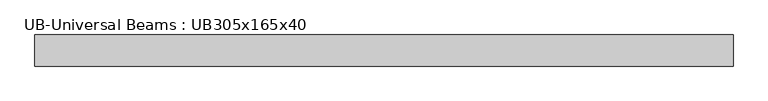
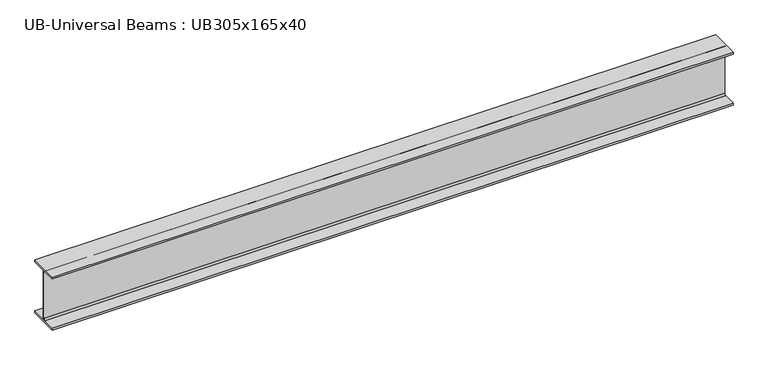
"""IFC4 building model written with IfcOpenShell, lengths in millimetres: beam geometry, UB-Universal Beams : UB305x165x40."""

from ifc_helpers import new_model, si_unit, point, frame, frame_2d, origin, place, context, project, spatial, polyline, circle_curve, trimmed, segment, composite_curve, outline, extrude, source, transform, mapped, element, save


def ub_universal_beams_ub305x165x40_f75dfa2a(model_context):
    return source(origin(), model_context, "Body", "SweptSolid", [
        extrude(outline(composite_curve([segment(polyline([(82.5, -141.5), (82.5, -151.7), (-82.5, -151.7), (-82.5, -141.5), (-11.9, -141.5)]), True, "CONTINUOUS"), segment(trimmed(circle_curve(frame_2d((-11.9, -132.6)), 8.9), [point((-11.9, -141.5))], [point((-3.0, -132.6))], True, "CARTESIAN"), True, "CONTINUOUS"), segment(polyline([(-3.0, -132.6), (-3.0, 132.6)]), True, "CONTINUOUS"), segment(trimmed(circle_curve(frame_2d((-11.9, 132.6)), 8.9), [point((-3.0, 132.6))], [point((-11.9, 141.5))], True, "CARTESIAN"), True, "CONTINUOUS"), segment(polyline([(-11.9, 141.5), (-82.5, 141.5), (-82.5, 151.7), (82.5, 151.7), (82.5, 141.5), (11.9, 141.5)]), True, "CONTINUOUS"), segment(trimmed(circle_curve(frame_2d((11.9, 132.6)), 8.9), [point((11.9, 141.5))], [point((3.0, 132.6))], True, "CARTESIAN"), True, "CONTINUOUS"), segment(polyline([(3.0, 132.6), (3.0, -132.6)]), True, "CONTINUOUS"), segment(trimmed(circle_curve(frame_2d((11.9, -132.6)), 8.9), [point((3.0, -132.6))], [point((11.9, -141.5))], True, "CARTESIAN"), True, "CONTINUOUS"), segment(polyline([(11.9, -141.5), (82.5, -141.5)]), True, "CONTINUOUS")], self_intersect=False)), frame((-1932.5, 0.0, 0.0), z_axis=(1.0, 0.0, 0.0), x_axis=(0.0, 1.0, 0.0)), (0.0, 0.0, 1.0), 3700.0),
    ])


if __name__ == "__main__":
    model = new_model("IFC4")
    model_context = context("Model", 3, world=origin())
    ifc_project = project(units=[si_unit("LENGTHUNIT", "METRE", prefix="MILLI")], contexts=[model_context])
    site = spatial("IfcSite", under=ifc_project)
    building = spatial("IfcBuilding", under=site)
    placement = place(None, origin())
    ub_universal_beams_ub305x165x40_shape = ub_universal_beams_ub305x165x40_f75dfa2a(model_context)
    element("IfcBeam", 1, ObjectType="UB-Universal Beams : UB305x165x40", at=placement, inside=building, context=model_context, shape_type="MappedRepresentation", body=[
        mapped(ub_universal_beams_ub305x165x40_shape, transform((0.0, 0.0, 0.0), x_axis=(1.0, 0.0, 0.0), y_axis=(0.0, 1.0, 0.0), z_axis=(0.0, 0.0, 1.0))),
    ])
    save(model, "model.ifc")
